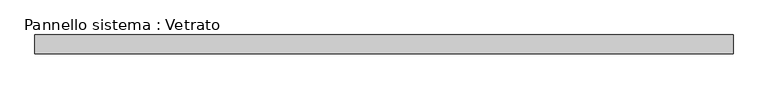
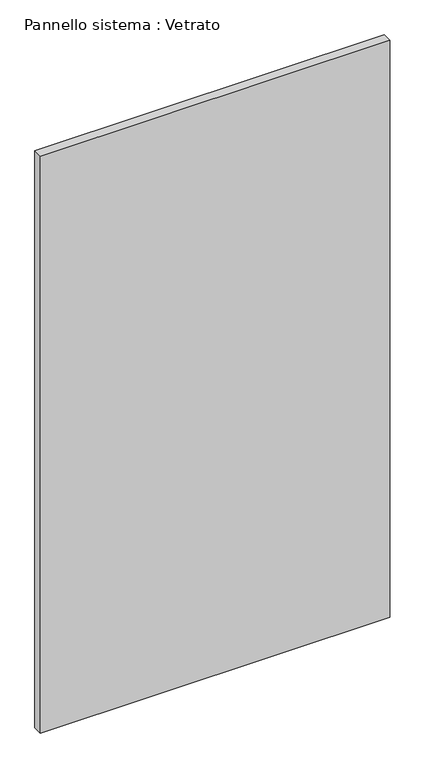
"""IFC4 building model written with IfcOpenShell, lengths in millimetres: plate geometry, Pannello sistema : Vetrato."""

from ifc_helpers import new_model, si_unit, origin, origin_with_axes, place, context, project, spatial, polyline, outline, extrude, source, transform, mapped, element, save


def pannello_sistema_vetrato_2f128147(model_context):
    return source(origin(), model_context, "Body", "SweptSolid", [
        extrude(outline(polyline([(560.0, -15.0), (-560.0, -15.0), (-560.0, 15.0), (560.0, 15.0), (560.0, -15.0)])), origin_with_axes(), (0.0, 0.0, 1.0), 1955.0),
    ])


if __name__ == "__main__":
    model = new_model("IFC4")
    model_context = context("Model", 3, world=origin())
    ifc_project = project(units=[si_unit("LENGTHUNIT", "METRE", prefix="MILLI")], contexts=[model_context])
    site = spatial("IfcSite", under=ifc_project)
    building = spatial("IfcBuilding", under=site)
    placement = place(None, origin())
    pannello_sistema_vetrato_shape = pannello_sistema_vetrato_2f128147(model_context)
    element("IfcPlate", 1, ObjectType="Pannello sistema : Vetrato", at=placement, inside=building, context=model_context, shape_type="MappedRepresentation", body=[
        mapped(pannello_sistema_vetrato_shape, transform((0.0, 0.0, 0.0), x_axis=(1.0, 0.0, 0.0), y_axis=(0.0, 1.0, 0.0), z_axis=(0.0, 0.0, 1.0))),
    ])
    save(model, "model.ifc")
